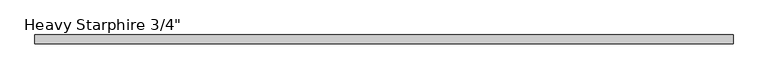
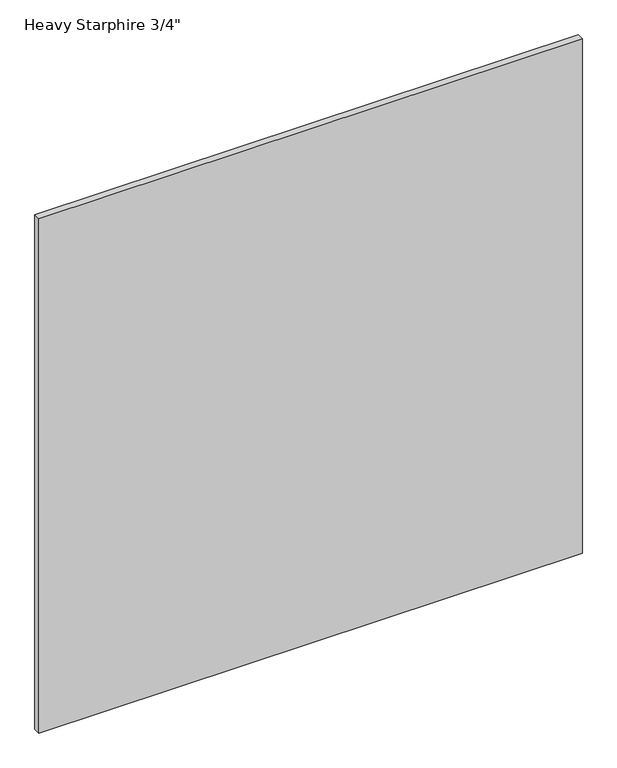
"""IFC4 building model written with IfcOpenShell, lengths in millimetres: plate geometry."""

import ifcopenshell
import ifcopenshell.guid

model = None  # the IFC model being written
_history = None  # IfcOwnerHistory: only IFC2X3 demands one
_inside = {}  # id of a spatial element -> (the spatial element, [elements in it])
_under = {}  # id of a project, library or spatial element -> (it, [spatial elements below it])
_declared = {}  # id of a project -> (the project, [libraries it declares])
_typed = {}  # id of a type object -> (the type object, [elements of that type])
_made_of = {}  # id of a material, layer set ... -> (it, [elements and type objects made of it])


def new_model(schema):
    """Start an empty IFC model of exactly this schema.

    Asked for "IFC4X3", IfcOpenShell would pick the latest addendum, in which some entities
    have other attributes; the version numbers below select the first issue.
    IFC2X3 requires an IfcOwnerHistory on every rooted entity: one is made here for all.
    """
    global model, _history
    if schema == "IFC4X3":
        model = ifcopenshell.file(schema_version=(4, 3, 0, 0))
    else:
        model = ifcopenshell.file(schema=schema)
    _inside.clear()
    _under.clear()
    _declared.clear()
    _typed.clear()
    _made_of.clear()
    _history = None
    if model.schema == "IFC2X3":
        org = make("IfcOrganization", Name="unknown")
        user = make(
            "IfcPersonAndOrganization",
            ThePerson=make("IfcPerson", FamilyName="unknown"),
            TheOrganization=org,
        )
        app = make(
            "IfcApplication",
            ApplicationDeveloper=org,
            Version="unknown",
            ApplicationFullName="unknown",
            ApplicationIdentifier="unknown",
        )
        _history = make(
            "IfcOwnerHistory",
            OwningUser=user,
            OwningApplication=app,
            ChangeAction="ADDED",
            CreationDate=0,
        )
    return model


def make(cls, **values):
    """One entity of the class cls with the attributes given. An attribute that is None is left unset."""
    return model.create_entity(
        cls, **{name: value for name, value in values.items() if value is not None}
    )


def rooted(cls, **values):
    """An entity with a GlobalId (a new one), such as an element, a storey or a relation."""
    return make(cls, GlobalId=ifcopenshell.guid.new(), OwnerHistory=_history, **values)


def si_unit(unit_type, name, prefix=None):
    """IfcSIUnit, for example si_unit("LENGTHUNIT", "METRE", prefix="MILLI")."""
    return make("IfcSIUnit", UnitType=unit_type, Prefix=prefix, Name=name)


def assignment(units):
    """IfcUnitAssignment: the units of a project."""
    return None if units is None else make("IfcUnitAssignment", Units=units)


def point(xyz):
    """IfcCartesianPoint."""
    return None if xyz is None else make("IfcCartesianPoint", Coordinates=xyz)


def direction(xyz):
    """IfcDirection."""
    return None if xyz is None else make("IfcDirection", DirectionRatios=xyz)


def frame(location, z_axis=None, x_axis=None):
    """IfcAxis2Placement3D, a coordinate frame: its origin and axes. An axis left out is left unset."""
    return make(
        "IfcAxis2Placement3D",
        Location=point(location),
        Axis=direction(z_axis),
        RefDirection=direction(x_axis),
    )


def origin():
    """The frame at (0, 0, 0) with its axes left unset."""
    return frame((0.0, 0.0, 0.0))


def origin_with_axes():
    """The frame at (0, 0, 0) with the z axis (0, 0, 1) and the x axis (1, 0, 0) written out."""
    return frame((0.0, 0.0, 0.0), z_axis=(0.0, 0.0, 1.0), x_axis=(1.0, 0.0, 0.0))


def place(relative_to, where):
    """IfcLocalPlacement: puts the frame where relative to a parent placement (None: the world)."""
    return make(
        "IfcLocalPlacement", PlacementRelTo=relative_to, RelativePlacement=where
    )


def context(
    kind, dimensions, precision=None, world=None, true_north=None, identifier=None
):
    """IfcGeometricRepresentationContext, for example the 3D "Model" context."""
    return make(
        "IfcGeometricRepresentationContext",
        ContextIdentifier=identifier,
        ContextType=kind,
        CoordinateSpaceDimension=dimensions,
        Precision=precision,
        WorldCoordinateSystem=world,
        TrueNorth=true_north,
    )


def project(units=None, contexts=None):
    """IfcProject with its units and contexts."""
    return rooted(
        "IfcProject",
        Name="project",
        RepresentationContexts=contexts,
        UnitsInContext=assignment(units),
    )


def spatial(cls, under=None, at=None, **own):
    """A site, building, storey or space (cls), placed at a placement, below another one or the project."""
    s = rooted(cls, ObjectPlacement=at, **own)
    if under is not None:
        _under.setdefault(under.id(), (under, []))[1].append(s)
    return s


def polyline(points):
    """IfcPolyline through the points."""
    return make("IfcPolyline", Points=[point(p) for p in points])


def outline(outer, holes=None, kind="AREA"):
    """IfcArbitraryClosedProfileDef: a profile drawn as a closed curve; with holes, ...WithVoids."""
    if holes is None:
        return make("IfcArbitraryClosedProfileDef", ProfileType=kind, OuterCurve=outer)
    return make(
        "IfcArbitraryProfileDefWithVoids",
        ProfileType=kind,
        OuterCurve=outer,
        InnerCurves=holes,
    )


def extrude(swept, where, along, depth):
    """IfcExtrudedAreaSolid: the profile swept, set in the frame where, extruded along a direction by depth."""
    return make(
        "IfcExtrudedAreaSolid",
        SweptArea=swept,
        Position=where,
        ExtrudedDirection=direction(along),
        Depth=depth,
    )


def shape(context_of_items, identifier, shape_type, items):
    """IfcShapeRepresentation: the items that make up one representation, for example the "Body"."""
    return make(
        "IfcShapeRepresentation",
        ContextOfItems=context_of_items,
        RepresentationIdentifier=identifier,
        RepresentationType=shape_type,
        Items=items,
    )


def source(mapping_origin, context_of_items, identifier, shape_type, items):
    """IfcRepresentationMap: a shape defined once, which mapped items show again and again."""
    return make(
        "IfcRepresentationMap",
        MappingOrigin=mapping_origin,
        MappedRepresentation=shape(context_of_items, identifier, shape_type, items),
    )


def transform(
    local_origin,
    x_axis=None,
    y_axis=None,
    z_axis=None,
    scale=None,
    scale2=None,
    scale3=None,
    uniform=True,
):
    """IfcCartesianTransformationOperator3D, or its non-uniform kind. x_axis, y_axis, z_axis: its Axis1, 2, 3."""
    if uniform:
        return make(
            "IfcCartesianTransformationOperator3D",
            Axis1=direction(x_axis),
            Axis2=direction(y_axis),
            LocalOrigin=point(local_origin),
            Scale=scale,
            Axis3=direction(z_axis),
        )
    return make(
        "IfcCartesianTransformationOperator3DnonUniform",
        Axis1=direction(x_axis),
        Axis2=direction(y_axis),
        LocalOrigin=point(local_origin),
        Scale=scale,
        Axis3=direction(z_axis),
        Scale2=scale2,
        Scale3=scale3,
    )


def mapped(mapping_source, mapping_target):
    """IfcMappedItem: shows the shape of a source again, moved by a transform."""
    return make(
        "IfcMappedItem", MappingSource=mapping_source, MappingTarget=mapping_target
    )


def made_of(thing, what):
    """Note that an element or type object is made of a material, layer set ...; save() writes the relation."""
    if what is not None:
        _made_of.setdefault(what.id(), (what, []))[1].append(thing)
    return thing


def element(
    cls,
    number,
    at=None,
    inside=None,
    cuts=None,
    type_object=None,
    material=None,
    context=None,
    identifier="Body",
    shape_type=None,
    held_by="IfcProductDefinitionShape",
    body=None,
    shapes=None,
    **own,
):
    """One element of the class cls, such as IfcWall. Its Tag is "e" and its number.

    at: its placement. inside: the storey or other place that contains it. cuts: it is an
    opening in that element (IfcRelVoidsElement). A single representation is given by context,
    identifier, shape_type and body (its items); several are given by shapes. held_by: the class
    of the entity that holds the representations. save() writes the other relations.
    """
    e = rooted(cls, Tag="e%d" % number, ObjectPlacement=at, **own)
    if body is not None:
        shapes = [shape(context, identifier, shape_type, body)]
    if shapes is not None:
        e.Representation = make(held_by, Representations=shapes)
    if inside is not None:
        _inside.setdefault(inside.id(), (inside, []))[1].append(e)
    if cuts is not None:
        rooted(
            "IfcRelVoidsElement", RelatingBuildingElement=cuts, RelatedOpeningElement=e
        )
    if type_object is not None:
        _typed.setdefault(type_object.id(), (type_object, []))[1].append(e)
    return made_of(e, material)


def aggregate(whole, parts):
    """IfcRelAggregates: a whole, such as a stair, and the parts it consists of."""
    return rooted("IfcRelAggregates", RelatingObject=whole, RelatedObjects=parts)


def save(model, path):
    """Write the relations noted so far, then the file.

    IfcRelAggregates (storeys below a building ...), IfcRelContainedInSpatialStructure (elements
    in a storey), IfcRelDefinesByType, IfcRelAssociatesMaterial and IfcRelDeclares: one each for
    every whole, place, type object, material and project.
    """
    for whole, parts in _under.values():
        aggregate(whole, parts)
    for where, things in _inside.values():
        rooted(
            "IfcRelContainedInSpatialStructure",
            RelatedElements=things,
            RelatingStructure=where,
        )
    for kind, things in _typed.values():
        rooted("IfcRelDefinesByType", RelatedObjects=things, RelatingType=kind)
    for what, things in _made_of.values():
        rooted("IfcRelAssociatesMaterial", RelatedObjects=things, RelatingMaterial=what)
    for by, libraries in _declared.values():
        rooted("IfcRelDeclares", RelatingContext=by, RelatedDefinitions=libraries)
    model.write(path)


def plate_900eb2fb(model_context):
    return source(origin(), model_context, "Body", "SweptSolid", [
        extrude(outline(polyline([(762.0, 9.525), (762.0, -9.525), (-762.0, -9.525), (-762.0, 9.525), (762.0, 9.525)])), origin_with_axes(), (0.0, 0.0, 1.0), 1524.0),
    ])


if __name__ == "__main__":
    model = new_model("IFC4")
    model_context = context("Model", 3, world=origin())
    ifc_project = project(units=[si_unit("LENGTHUNIT", "METRE", prefix="MILLI")], contexts=[model_context])
    site = spatial("IfcSite", under=ifc_project)
    building = spatial("IfcBuilding", under=site)
    placement = place(None, origin())
    plate_shape = plate_900eb2fb(model_context)
    element("IfcPlate", 1, ObjectType="Heavy Starphire 3/4\"", at=placement, inside=building, context=model_context, shape_type="MappedRepresentation", body=[
        mapped(plate_shape, transform((0.0, 0.0, 0.0), x_axis=(1.0, 0.0, 0.0), y_axis=(0.0, 1.0, 0.0), z_axis=(0.0, 0.0, 1.0))),
    ])
    save(model, "model.ifc")
